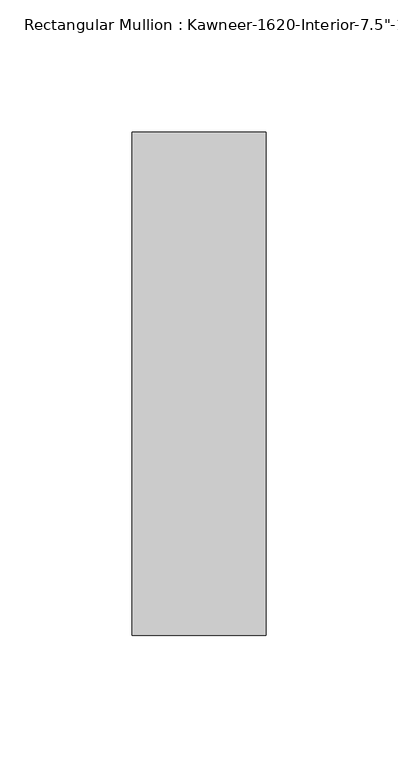
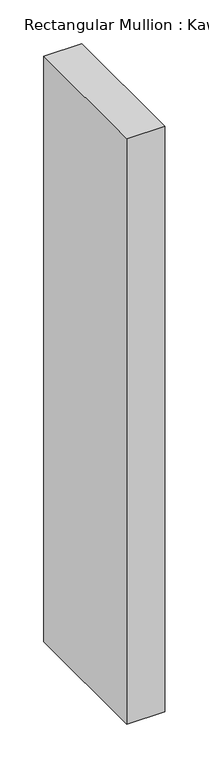
"""IFC4 building model written with IfcOpenShell, lengths in millimetres: member geometry."""

from ifc_helpers import new_model, si_unit, frame, origin, place, context, project, spatial, polyline, outline, extrude, source, transform, mapped, element, save


def member_53ce6a28(model_context):
    return source(origin(), model_context, "Body", "SweptSolid", [
        extrude(outline(polyline([(25.4, -152.4), (-25.4, -152.4), (-25.4, 38.1), (25.4, 38.1), (25.4, -152.4)])), frame((0.0, 0.0, -820.0182369), z_axis=(0.0, 0.0, 1.0), x_axis=(1.0, 0.0, 0.0)), (0.0, 0.0, 1.0), 820.0182369),
    ])


if __name__ == "__main__":
    model = new_model("IFC4")
    model_context = context("Model", 3, world=origin())
    ifc_project = project(units=[si_unit("LENGTHUNIT", "METRE", prefix="MILLI")], contexts=[model_context])
    site = spatial("IfcSite", under=ifc_project)
    building = spatial("IfcBuilding", under=site)
    placement = place(None, origin())
    member_shape = member_53ce6a28(model_context)
    element("IfcMember", 1, ObjectType="Rectangular Mullion : Kawneer-1620-Interior-7.5\"-1\"Infill", at=placement, inside=building, context=model_context, shape_type="MappedRepresentation", body=[
        mapped(member_shape, transform((0.0, 0.0, 0.0), x_axis=(1.0, 0.0, 0.0), y_axis=(0.0, 1.0, 0.0), z_axis=(0.0, 0.0, 1.0))),
    ])
    save(model, "model.ifc")
